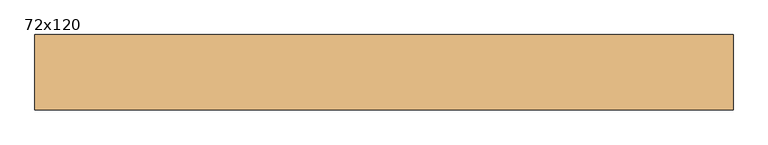
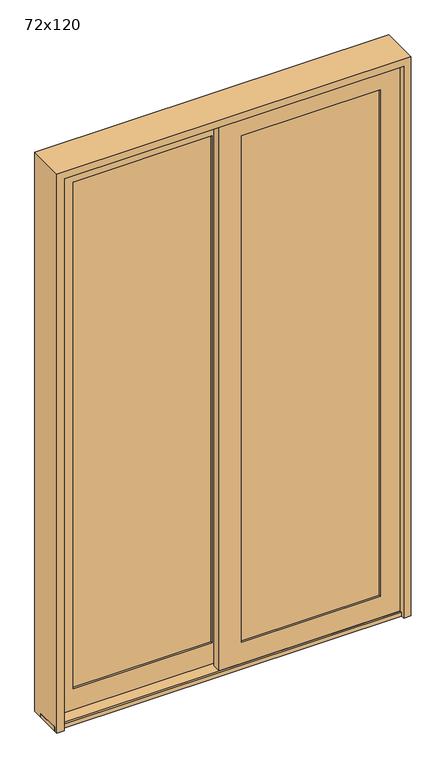
"""IFC4 building model written with IfcOpenShell, lengths in millimetres: door geometry, 72x120."""

from ifc_helpers import new_model, si_unit, frame, origin, place, context, project, spatial, polyline, outline, extrude, faceted_brep, source, transform, mapped, element, save


def door_72x120_d1dfe00d(model_context):
    return source(origin(), model_context, "Body", "SolidModel", [
        extrude(outline(polyline([(788.1169118, -82.3205107), (788.1169118, -85.4955107), (44.7573368, -85.4955107), (44.7573368, -82.3205107), (788.1169118, -82.3205107)])), frame((0.0, 0.0, 121.4374), z_axis=(0.0, 0.0, 1.0), x_axis=(1.0, 0.0, 0.0)), (0.0, 0.0, 1.0), 2789.2502),
        extrude(outline(polyline([(788.1169118, -66.4455107), (44.7573368, -66.4455107), (44.7573368, -63.2705107), (788.1169118, -63.2705107), (788.1169118, -66.4455107)])), frame((0.0, 0.0, 121.4374), z_axis=(0.0, 0.0, 1.0), x_axis=(1.0, 0.0, 0.0)), (0.0, 0.0, 1.0), 2789.2502),
        faceted_brep([(791.2919118, -63.2705107, 118.2624), (41.5823368, -63.2705107, 118.2624), (41.5823368, -87.0703309, 118.2624), (791.2919118, -87.0703309, 118.2624), (775.4169118, -52.9454107, 134.1374), (57.4573368, -52.9454107, 134.1374), (57.4573368, -63.2705107, 134.1374), (775.4169118, -63.2705107, 134.1374), (890.5043118, -96.5868763, 19.05), (-57.6300632, -96.5868763, 19.05), (-57.6300632, -52.9454107, 19.05), (890.5043118, -52.9454107, 19.05), (775.4185198, -87.0703309, 134.135792), (57.4557288, -87.0703309, 134.135792), (57.4557288, -96.5868763, 134.135792), (775.4185198, -96.5868763, 134.135792), (41.5823368, -63.2705107, 2913.8626), (41.5823368, -87.0703309, 2913.8626), (57.4573368, -52.9454107, 2897.9876), (57.4573368, -63.2705107, 2897.9876), (-57.6300632, -96.5868763, 3013.075), (-57.6300632, -52.9454107, 3013.075), (57.4557288, -87.0703309, 2897.989208), (57.4557288, -96.5868763, 2897.989208), (791.2919118, -63.2705107, 2913.8626), (791.2919118, -87.0703309, 2913.8626), (775.4169118, -52.9454107, 2897.9876), (775.4169118, -63.2705107, 2897.9876), (890.5043118, -96.5868763, 3013.075), (890.5043118, -52.9454107, 3013.075), (775.4185198, -87.0703309, 2897.989208), (775.4185198, -96.5868763, 2897.989208)], [[[0, 1, 2, 3]], [[4, 5, 6, 7]], [[8, 9, 10, 11]], [[12, 13, 14, 15]], [[1, 16, 17, 2]], [[5, 18, 19, 6]], [[9, 20, 21, 10]], [[13, 22, 23, 14]], [[16, 24, 25, 17]], [[18, 26, 27, 19]], [[20, 28, 29, 21]], [[22, 30, 31, 23]], [[24, 0, 3, 25]], [[1, 0, 24, 16], [7, 6, 19, 27]], [[26, 4, 7, 27]], [[11, 10, 21, 29], [5, 4, 26, 18]], [[28, 8, 11, 29]], [[9, 8, 28, 20], [15, 14, 23, 31]], [[30, 12, 15, 31]], [[3, 2, 17, 25], [13, 12, 30, 22]]]),
        extrude(outline(polyline([(-44.8202139, -18.5999499), (-44.8202139, -21.7749499), (-788.1797889, -21.7749499), (-788.1797889, -18.5999499), (-44.8202139, -18.5999499)])), frame((0.0, 0.0, 121.4374), z_axis=(0.0, 0.0, 1.0), x_axis=(1.0, 0.0, 0.0)), (0.0, 0.0, 1.0), 2789.2502),
        extrude(outline(polyline([(-44.8202139, -2.7249499), (-788.1797889, -2.7249499), (-788.1797889, 0.4500501), (-44.8202139, 0.4500501), (-44.8202139, -2.7249499)])), frame((0.0, 0.0, 121.4374), z_axis=(0.0, 0.0, 1.0), x_axis=(1.0, 0.0, 0.0)), (0.0, 0.0, 1.0), 2789.2502),
        faceted_brep([(-41.6452139, 0.4500501, 118.2624), (-791.3547889, 0.4500501, 118.2624), (-791.3547889, -23.3497701, 118.2624), (-41.6452139, -23.3497701, 118.2624), (-57.5202139, 10.7751501, 134.1374), (-775.4797889, 10.7751501, 134.1374), (-775.4797889, 0.4500501, 134.1374), (-57.5202139, 0.4500501, 134.1374), (57.5671861, -32.8663155, 19.05), (-890.5671889, -32.8663155, 19.05), (-890.5671889, 10.7751501, 19.05), (57.5671861, 10.7751501, 19.05), (-57.5186059, -23.3497701, 134.135792), (-775.4813969, -23.3497701, 134.135792), (-775.4813969, -32.8663155, 134.135792), (-57.5186059, -32.8663155, 134.135792), (-791.3547889, 0.4500501, 2913.8626), (-791.3547889, -23.3497701, 2913.8626), (-775.4797889, 10.7751501, 2897.9876), (-775.4797889, 0.4500501, 2897.9876), (-890.5671889, -32.8663155, 3013.075), (-890.5671889, 10.7751501, 3013.075), (-775.4813969, -23.3497701, 2897.989208), (-775.4813969, -32.8663155, 2897.989208), (-41.6452139, 0.4500501, 2913.8626), (-41.6452139, -23.3497701, 2913.8626), (-57.5202139, 10.7751501, 2897.9876), (-57.5202139, 0.4500501, 2897.9876), (57.5671861, -32.8663155, 3013.075), (57.5671861, 10.7751501, 3013.075), (-57.5186059, -23.3497701, 2897.989208), (-57.5186059, -32.8663155, 2897.989208)], [[[0, 1, 2, 3]], [[4, 5, 6, 7]], [[8, 9, 10, 11]], [[12, 13, 14, 15]], [[1, 16, 17, 2]], [[5, 18, 19, 6]], [[9, 20, 21, 10]], [[13, 22, 23, 14]], [[16, 24, 25, 17]], [[18, 26, 27, 19]], [[20, 28, 29, 21]], [[22, 30, 31, 23]], [[24, 0, 3, 25]], [[1, 0, 24, 16], [7, 6, 19, 27]], [[26, 4, 7, 27]], [[11, 10, 21, 29], [5, 4, 26, 18]], [[28, 8, 11, 29]], [[9, 8, 28, 20], [15, 14, 23, 31]], [[30, 12, 15, 31]], [[3, 2, 17, 25], [13, 12, 30, 22]]]),
        extrude(outline(polyline([(-112.0378594, 0.0), (-112.0378594, 20.6375), (-99.6994757, 20.6375), (-99.6994757, 19.1087537), (13.4282571, 19.1087537), (13.4282571, 0.0), (-112.0378594, 0.0)])), frame((-914.3796889, 0.0, 0.0), z_axis=(1.0, 0.0, 0.0), x_axis=(0.0, 1.0, 0.0)), (0.0, 0.0, 1.0), 1828.7796889),
        faceted_brep([(-890.5043118, -100.2622698, 0.0), (-876.1668989, -100.2622698, 0.0), (-876.1668989, -130.1063913, 0.0), (-914.4, -130.1063913, 0.0), (-914.4, 67.0375264, 0.0), (-896.9375, 67.0375264, 0.0), (-896.9375, 23.1012916, 0.0), (-876.1668989, 23.1012916, 0.0), (-876.1668989, 14.4357592, 0.0), (-890.5043118, 14.4357592, 0.0), (-890.5043118, -36.541709, 0.0), (-876.1668989, -36.541709, 0.0), (-876.1668989, -49.2848016, 0.0), (-890.5043118, -49.2848016, 0.0), (890.5043118, -100.2622698, 0.0), (890.5043118, -49.2848016, 0.0), (876.1668989, -49.2848016, 0.0), (876.1668989, -36.541709, 0.0), (890.5043118, -36.541709, 0.0), (890.5043118, 14.4357592, 0.0), (876.1668989, 14.4357592, 0.0), (876.1668989, 23.1012916, 0.0), (896.9375, 23.1012916, 0.0), (896.9375, 67.0375264, 0.0), (914.4, 67.0375264, 0.0), (914.4, -130.1063913, 0.0), (876.1668989, -130.1063913, 0.0), (876.1668989, -100.2622698, 0.0), (-890.5043118, -49.2848016, 3024.1043118), (-890.5043118, -100.2622698, 3024.1043118), (-876.1668989, -49.2848016, 3009.7668989), (876.1668989, -49.2848016, 3009.7668989), (890.5043118, -49.2848016, 3024.1043118), (-876.1668989, -36.541709, 3009.7668989), (-890.5043118, -36.541709, 3024.1043118), (890.5043118, -36.541709, 3024.1043118), (876.1668989, -36.541709, 3009.7668989), (-890.5043118, 14.4357592, 3024.1043118), (-876.1668989, 14.4357592, 3009.7668989), (876.1668989, 14.4357592, 3009.7668989), (890.5043118, 14.4357592, 3024.1043118), (-876.1668989, 23.1012916, 3009.7668989), (-896.9375, 23.1012916, 3030.5375), (896.9375, 23.1012916, 3030.5375), (876.1668989, 23.1012916, 3009.7668989), (-896.9375, 67.0375264, 3030.5375), (-914.4, 67.0375264, 3048.0), (914.4, 67.0375264, 3048.0), (896.9375, 67.0375264, 3030.5375), (-914.4, -130.1063913, 3048.0), (-876.1668989, -130.1063913, 3009.7668989), (876.1668989, -130.1063913, 3009.7668989), (914.4, -130.1063913, 3048.0), (-876.1668989, -100.2622698, 3009.7668989), (890.5043118, -100.2622698, 3024.1043118), (876.1668989, -100.2622698, 3009.7668989)], [[[0, 1, 2, 3, 4, 5, 6, 7, 8, 9, 10, 11, 12, 13]], [[14, 15, 16, 17, 18, 19, 20, 21, 22, 23, 24, 25, 26, 27]], [[13, 28, 29, 0]], [[12, 30, 31, 16, 15, 32, 28, 13]], [[11, 33, 30, 12]], [[10, 34, 35, 18, 17, 36, 33, 11]], [[9, 37, 34, 10]], [[8, 38, 39, 20, 19, 40, 37, 9]], [[7, 41, 38, 8]], [[6, 42, 43, 22, 21, 44, 41, 7]], [[5, 45, 42, 6]], [[4, 46, 47, 24, 23, 48, 45, 5]], [[3, 49, 46, 4]], [[2, 50, 51, 26, 25, 52, 49, 3]], [[1, 53, 50, 2]], [[0, 29, 54, 14, 27, 55, 53, 1]], [[28, 32, 54, 29]], [[33, 36, 31, 30]], [[37, 40, 35, 34]], [[41, 44, 39, 38]], [[45, 48, 43, 42]], [[49, 52, 47, 46]], [[53, 55, 51, 50]], [[32, 15, 14, 54]], [[36, 17, 16, 31]], [[40, 19, 18, 35]], [[44, 21, 20, 39]], [[48, 23, 22, 43]], [[52, 25, 24, 47]], [[55, 27, 26, 51]]]),
    ])


if __name__ == "__main__":
    model = new_model("IFC4")
    model_context = context("Model", 3, world=origin())
    ifc_project = project(units=[si_unit("LENGTHUNIT", "METRE", prefix="MILLI")], contexts=[model_context])
    site = spatial("IfcSite", under=ifc_project)
    building = spatial("IfcBuilding", under=site)
    placement = place(None, origin())
    door_72x120_shape = door_72x120_d1dfe00d(model_context)
    element("IfcDoor", 1, ObjectType="72x120", at=placement, inside=building, context=model_context, shape_type="MappedRepresentation", body=[
        mapped(door_72x120_shape, transform((0.0, 0.0, 0.0), x_axis=(1.0, 0.0, 0.0), y_axis=(0.0, 1.0, 0.0), z_axis=(0.0, 0.0, 1.0))),
    ])
    save(model, "model.ifc")
